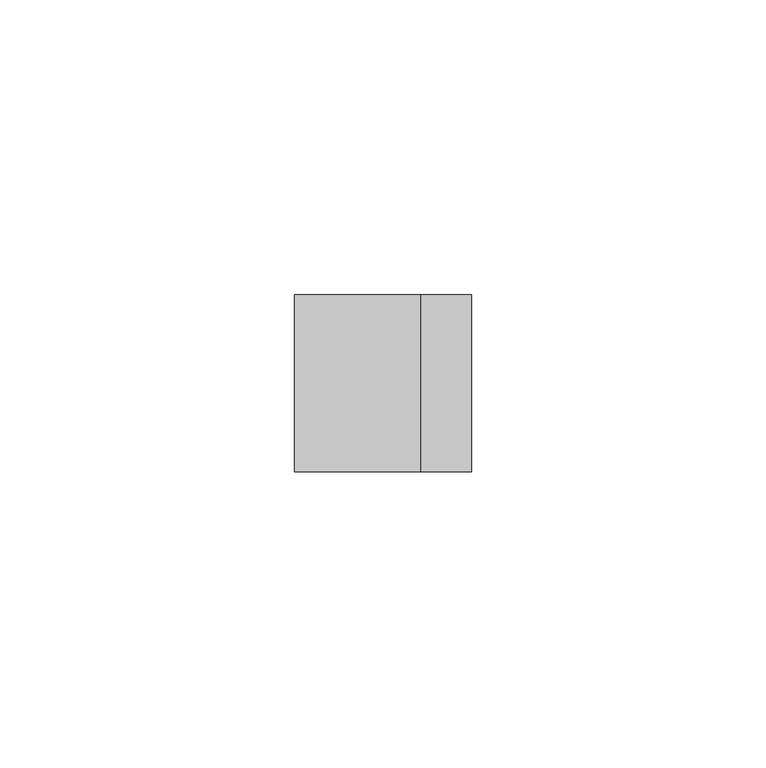
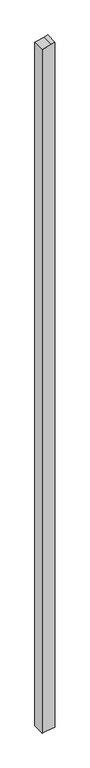
"""IFC4 building model written with IfcOpenShell, lengths in millimetres: member geometry."""

from ifc_helpers import new_model, si_unit, frame, origin, place, context, project, spatial, polyline, outline, extrude, source, transform, mapped, element, save


def member_eda86908(model_context):
    return source(origin(), model_context, "Body", "SweptSolid", [
        extrude(outline(polyline([(3.1373334, 15.0), (0.8518543, 6.4704761), (-4.9011424, -15.0), (-1708.3712818, -15.0), (-1707.2480573, -6.7259094), (-1704.2987211, 15.0), (3.1373334, 15.0)])), frame((0.0, -15.0, 0.0), z_axis=(0.0, 1.0, 0.0), x_axis=(0.0, 0.0, 1.0)), (0.0, 0.0, 1.0), 30.0),
    ])


if __name__ == "__main__":
    model = new_model("IFC4")
    model_context = context("Model", 3, world=origin())
    ifc_project = project(units=[si_unit("LENGTHUNIT", "METRE", prefix="MILLI")], contexts=[model_context])
    site = spatial("IfcSite", under=ifc_project)
    building = spatial("IfcBuilding", under=site)
    placement = place(None, origin())
    member_shape = member_eda86908(model_context)
    element("IfcMember", 1, at=placement, inside=building, context=model_context, shape_type="MappedRepresentation", body=[
        mapped(member_shape, transform((0.0, 0.0, 0.0), x_axis=(1.0, 0.0, 0.0), y_axis=(0.0, 1.0, 0.0), z_axis=(0.0, 0.0, 1.0))),
    ])
    save(model, "model.ifc")
